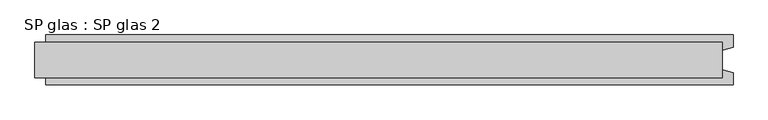
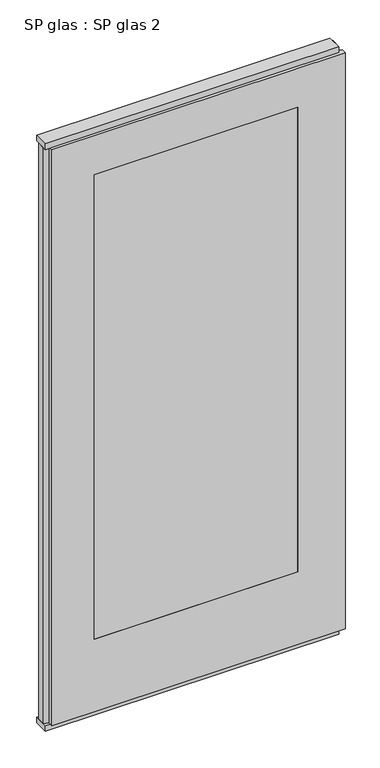
"""IFC4 building model written with IfcOpenShell, lengths in millimetres: plate geometry, SP glas : SP glas 2."""

from ifc_helpers import new_model, si_unit, frame, origin, origin_with_axes, place, context, project, spatial, polyline, outline, extrude, faceted_brep, source, transform, mapped, element, save


def sp_glas_sp_glas_2_23d647d9(model_context):
    return source(origin(), model_context, "Body", "SolidModel", [
        extrude(outline(polyline([(620.0, 32.0), (620.0, -32.0), (-620.0, -32.0), (-620.0, 32.0), (620.0, 32.0)])), origin_with_axes(), (0.0, 0.0, 1.0), 25.0),
        extrude(outline(polyline([(620.0, 32.0), (620.0, -32.0), (-620.0, -32.0), (-620.0, 32.0), (620.0, 32.0)])), frame((0.0, 0.0, 2602.0), z_axis=(0.0, 0.0, 1.0), x_axis=(1.0, 0.0, 0.0)), (0.0, 0.0, 1.0), 25.0),
        faceted_brep([(640.0, 45.0, 25.0), (640.0, 22.9993165, 25.0), (620.0, 17.6401049, 25.0), (620.0, -17.6401049, 25.0), (640.0, -22.9993165, 25.0), (640.0, -45.0, 25.0), (-600.0, -45.0, 25.0), (-600.0, -22.9993165, 25.0), (-620.0, -17.6401049, 25.0), (-620.0, 17.6401049, 25.0), (-600.0, 22.9993165, 25.0), (-600.0, 45.0, 25.0), (640.0, 45.0, 2602.0), (640.0, 22.9993165, 2602.0), (620.0, 17.6401049, 2602.0), (620.0, -17.6401049, 2602.0), (640.0, -22.9993165, 2602.0), (640.0, -45.0, 2602.0), (-600.0, -45.0, 2602.0), (-420.0, -45.0, 350.0), (-420.0, -45.0, 2427.0), (440.0, -45.0, 2427.0), (440.0, -45.0, 350.0), (-600.0, -22.9993165, 2602.0), (-620.0, -17.6401049, 2602.0), (-620.0, 17.6401049, 2602.0), (-600.0, 22.9993165, 2602.0), (-600.0, 45.0, 2602.0), (-420.0, 45.0, 2427.0), (-420.0, 45.0, 350.0), (440.0, 45.0, 350.0), (440.0, 45.0, 2427.0)], [[[0, 1, 2, 3, 4, 5, 6, 7, 8, 9, 10, 11]], [[1, 0, 12, 13]], [[2, 1, 13, 14]], [[3, 2, 14, 15]], [[4, 3, 15, 16]], [[5, 4, 16, 17]], [[6, 5, 17, 18], [19, 20, 21, 22]], [[7, 6, 18, 23]], [[8, 7, 23, 24]], [[9, 8, 24, 25]], [[10, 9, 25, 26]], [[11, 10, 26, 27]], [[0, 11, 27, 12], [28, 29, 30, 31]], [[28, 20, 19, 29]], [[30, 22, 21, 31]], [[29, 19, 22, 30]], [[12, 27, 26, 25, 24, 23, 18, 17, 16, 15, 14, 13]], [[20, 28, 31, 21]]]),
        extrude(outline(polyline([(440.0, 45.0), (440.0, -45.0), (-420.0, -45.0), (-420.0, 45.0), (440.0, 45.0)])), frame((0.0, 0.0, 350.0), z_axis=(0.0, 0.0, 1.0), x_axis=(1.0, 0.0, 0.0)), (0.0, 0.0, 1.0), 2077.0),
    ])


if __name__ == "__main__":
    model = new_model("IFC4")
    model_context = context("Model", 3, world=origin())
    ifc_project = project(units=[si_unit("LENGTHUNIT", "METRE", prefix="MILLI")], contexts=[model_context])
    site = spatial("IfcSite", under=ifc_project)
    building = spatial("IfcBuilding", under=site)
    placement = place(None, origin())
    sp_glas_sp_glas_2_shape = sp_glas_sp_glas_2_23d647d9(model_context)
    element("IfcPlate", 1, ObjectType="SP glas : SP glas 2", at=placement, inside=building, context=model_context, shape_type="MappedRepresentation", body=[
        mapped(sp_glas_sp_glas_2_shape, transform((0.0, 0.0, 0.0), x_axis=(1.0, 0.0, 0.0), y_axis=(0.0, 1.0, 0.0), z_axis=(0.0, 0.0, 1.0))),
    ])
    save(model, "model.ifc")
